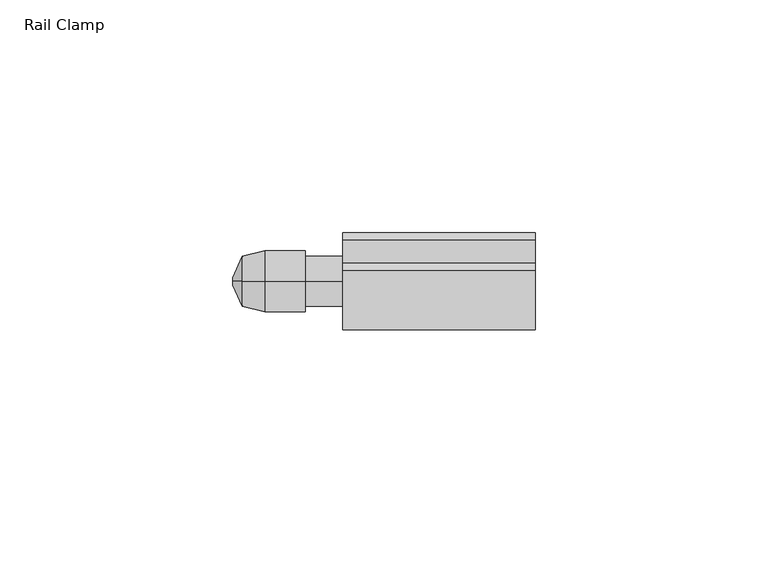
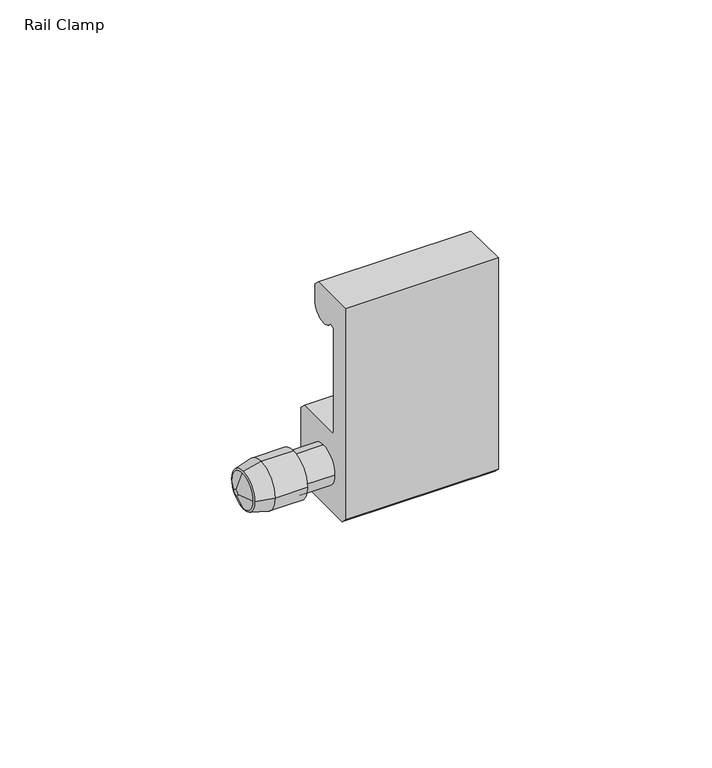
"""IFC4 building model written with IfcOpenShell, lengths in millimetres: furniture geometry, Rail Clamp."""

from ifc_helpers import new_model, si_unit, frame, origin, place, context, project, spatial, polyline, circle_curve, source, transform, mapped, element, save
from ifc_brep_helpers import plane_surface, cylinder_surface, revolved_surface, advanced_brep


def rail_clamp_bc9ce31f(model_context):
    return source(origin(), model_context, "Body", "AdvancedBrep", [
        advanced_brep(
        [(-42.2627645, -46.5617724, 1333.6693035), (-42.2627645, -41.2023724, 1339.0287035), (-42.2627645, -35.8429724, 1333.6693035), (-42.2627645, -41.2023724, 1328.3099035), (-37.4502448, -47.7301724, 1333.6693035), (-37.4502448, -41.2023724, 1327.1415035), (-37.4502448, -34.6745724, 1333.6693035), (-37.4502448, -41.2023724, 1340.1971035)],
        [
            (0, 1, circle_curve(frame((-42.2627645, -41.2023724, 1333.6693035), z_axis=(-1.0, 0.0, 1.912588675763228e-12), x_axis=(0.0, -1.0, 7.182660263663922e-12)), 5.3594)),
            (1, 2, circle_curve(frame((-42.2627645, -41.2023724, 1333.6693035), z_axis=(-1.0, -1.8334834456075796e-12, 0.0), x_axis=(0.0, -7.421599566788889e-12, 1.0)), 5.3594)),
            (2, 3, circle_curve(frame((-42.2627645, -41.2023724, 1333.6693035), z_axis=(-1.0, 0.0, 1.1813047703243468e-12), x_axis=(0.0, 1.0, 8.109455136390989e-12)), 5.3594)),
            (3, 0, circle_curve(frame((-42.2627645, -41.2023724, 1333.6693035), z_axis=(-1.0, -1.0846206001341101e-12, 0.0), x_axis=(0.0, -6.34999299517795e-12, -1.0)), 5.3594)),
            (4, 5, circle_curve(frame((-37.4502448, -41.2023724, 1333.6693035), z_axis=(1.0, 1.0846206001341101e-12, 0.0), x_axis=(0.0, -6.34999299517795e-12, -1.0)), 6.5278)),
            (5, 6, circle_curve(frame((-37.4502448, -41.2023724, 1333.6693035), z_axis=(1.0, 0.0, -1.1813047703243468e-12), x_axis=(0.0, 1.0, 8.109455136390989e-12)), 6.5278)),
            (6, 7, circle_curve(frame((-37.4502448, -41.2023724, 1333.6693035), z_axis=(1.0, 1.8334834456075796e-12, 0.0), x_axis=(0.0, -7.421599566788889e-12, 1.0)), 6.5278)),
            (7, 4, circle_curve(frame((-37.4502448, -41.2023724, 1333.6693035), z_axis=(1.0, 0.0, -1.912588675763228e-12), x_axis=(0.0, -1.0, 7.182660263663922e-12)), 6.5278)),
            (4, 0),
            (3, 5),
            (2, 6),
            (1, 7),
        ],
        [
            plane_surface(frame((-42.2627645, -41.2023724, 1333.6693035), z_axis=(-1.0, 0.0, 0.0), x_axis=(0.0, 0.0, -1.0))),
            plane_surface(frame((-37.4502448, -41.2023724, 1333.6693035), z_axis=(1.0, 0.0, 0.0), x_axis=(0.0, 0.0, -1.0))),
            revolved_surface(polyline([(-42.262764500005815, -41.2023724, 1328.3099035097316), (-37.4502448, -41.2023724, 1327.1415035)]), (-64.3375829, -41.2023724, 1333.6693035), (1.0, 1.0846206001341101e-12, 0.0)),
            revolved_surface(polyline([(-42.2627645, -35.84297240973024, 1333.6693035), (-37.45024479999229, -34.67457239999813, 1333.6693035)]), (-64.3375829, -41.2023724, 1333.6693035), (1.0, 0.0, -1.1813047703243468e-12)),
            revolved_surface(polyline([(-42.2627645, -41.2023724, 1339.0287034902697), (-37.45024479998803, -41.2023724, 1340.1971035000029)]), (-64.3375829, -41.2023724, 1333.6693035), (1.0, 1.8334834456075796e-12, 0.0)),
            revolved_surface(polyline([(-42.26276450001025, -46.56177239026728, 1333.6693035), (-37.4502448, -47.7301724, 1333.6693035)]), (-64.3375829, -41.2023724, 1333.6693035), (1.0, 0.0, -1.912588675763228e-12)),
        ],
        [
            (0, [[1, 2, 3, 4]]),
            (1, [[5, 6, 7, 8]]),
            (2, [[-5, 9, -4, 10]]),
            (3, [[-6, -10, -3, 11]]),
            (4, [[-7, -11, -2, 12]]),
            (5, [[-8, -12, -1, -9]]),
        ],
    ),
        advanced_brep(
        [(-20.6375, -30.8010724, 1323.9749982), (-20.6375, -32.3758712, 1322.4002), (-20.6375, -50.0288731, 1322.4002), (-20.6375, -51.6036724, 1323.9749982), (-20.6375, -51.6036724, 1384.2492), (-20.6375, -38.9100224, 1384.2492), (-20.6375, -37.3352224, 1382.6743995), (-20.6375, -37.3352224, 1377.9246001), (-20.6375, -44.603154, 1375.7396341), (-20.6375, -46.0474222, 1375.3054422), (-20.6375, -46.0474222, 1345.5710319), (-20.6375, -45.4521097, 1344.9757194), (-20.6375, -32.3758724, 1344.9757194), (-20.6375, -30.8010724, 1343.40092), (-20.6375, -46.5617724, 1333.6693035), (-20.6375, -41.2023724, 1328.3099035), (-20.6375, -35.8429724, 1333.6693035), (-20.6375, -41.2023724, 1339.0287035), (20.6375, -30.8010724, 1323.9749982), (20.6375, -30.8010724, 1343.40092), (20.6375, -32.3758724, 1344.9757194), (20.6375, -45.4521097, 1344.9757194), (20.6375, -46.0474222, 1345.5710319), (20.6375, -46.0474222, 1375.3054422), (20.6375, -44.603154, 1375.7396341), (20.6375, -37.3352224, 1377.9246001), (20.6375, -37.3352224, 1382.6743995), (20.6375, -38.9100224, 1384.2492), (20.6375, -51.6036724, 1384.2492), (20.6375, -51.6036724, 1323.9749982), (20.6375, -50.0288731, 1322.4002), (20.6375, -32.3758712, 1322.4002), (-28.6997615, -46.5617724, 1333.6693035), (-28.6997615, -41.2023724, 1328.3099035), (-28.6997615, -35.8429724, 1333.6693035), (-28.6997615, -41.2023724, 1339.0287035), (-28.6997615, -47.7301724, 1333.6693035), (-28.6997615, -41.2023724, 1327.1415035), (-28.6997615, -34.6745724, 1333.6693035), (-28.6997615, -41.2023724, 1340.1971035), (-37.4502448, -47.7301724, 1333.6693035), (-37.4502448, -41.2023724, 1340.1971035), (-37.4502448, -34.6745724, 1333.6693035), (-37.4502448, -41.2023724, 1327.1415035)],
        [
            (0, 1),
            (1, 2),
            (2, 3),
            (3, 4),
            (4, 5),
            (5, 6),
            (6, 7),
            (7, 8, circle_curve(frame((-20.6375, -41.2976225, 1377.9246001), z_axis=(-1.0, 0.0, 0.0), x_axis=(0.0, 1.0, 0.0)), 3.9624001)),
            (8, 9),
            (9, 10),
            (10, 11),
            (11, 12),
            (12, 13),
            (13, 0),
            (14, 15, circle_curve(frame((-20.6375, -41.2023724, 1333.6693035), z_axis=(1.0, 0.0, 0.0), x_axis=(0.0, 1.0, 0.0)), 5.3594)),
            (15, 16, circle_curve(frame((-20.6375, -41.2023724, 1333.6693035), z_axis=(1.0, 0.0, 0.0), x_axis=(0.0, 1.0, 0.0)), 5.3594)),
            (16, 17, circle_curve(frame((-20.6375, -41.2023724, 1333.6693035), z_axis=(1.0, 0.0, 0.0), x_axis=(0.0, 1.0, 0.0)), 5.3594)),
            (17, 14, circle_curve(frame((-20.6375, -41.2023724, 1333.6693035), z_axis=(1.0, 0.0, 0.0), x_axis=(0.0, 1.0, 0.0)), 5.3594)),
            (18, 19),
            (19, 20),
            (20, 21),
            (21, 22),
            (22, 23),
            (23, 24),
            (24, 25, circle_curve(frame((20.6375, -41.2976225, 1377.9246001), z_axis=(1.0, 0.0, 0.0), x_axis=(0.0, 1.0, 0.0)), 3.9624001)),
            (25, 26),
            (26, 27),
            (27, 28),
            (28, 29),
            (29, 30),
            (30, 31),
            (31, 18),
            (0, 18),
            (31, 1),
            (30, 2),
            (29, 3),
            (28, 4),
            (27, 5),
            (26, 6),
            (25, 7),
            (24, 8),
            (23, 9),
            (22, 10),
            (21, 11),
            (20, 12),
            (19, 13),
            (14, 32),
            (32, 33, circle_curve(frame((-28.6997615, -41.2023724, 1333.6693035), z_axis=(1.0, 0.0, 0.0), x_axis=(0.0, 1.0, 0.0)), 5.3594)),
            (33, 15),
            (33, 34, circle_curve(frame((-28.6997615, -41.2023724, 1333.6693035), z_axis=(1.0, 0.0, 0.0), x_axis=(0.0, 1.0, 0.0)), 5.3594)),
            (34, 16),
            (34, 35, circle_curve(frame((-28.6997615, -41.2023724, 1333.6693035), z_axis=(1.0, 0.0, 0.0), x_axis=(0.0, 1.0, 0.0)), 5.3594)),
            (35, 17),
            (35, 32, circle_curve(frame((-28.6997615, -41.2023724, 1333.6693035), z_axis=(1.0, 0.0, 0.0), x_axis=(0.0, 1.0, 0.0)), 5.3594)),
            (36, 37, circle_curve(frame((-28.6997615, -41.2023724, 1333.6693035), z_axis=(1.0, 0.0, 0.0), x_axis=(0.0, 1.0, 0.0)), 6.5278)),
            (37, 38, circle_curve(frame((-28.6997615, -41.2023724, 1333.6693035), z_axis=(1.0, 0.0, 0.0), x_axis=(0.0, 1.0, 0.0)), 6.5278)),
            (38, 39, circle_curve(frame((-28.6997615, -41.2023724, 1333.6693035), z_axis=(1.0, 0.0, 0.0), x_axis=(0.0, 1.0, 0.0)), 6.5278)),
            (39, 36, circle_curve(frame((-28.6997615, -41.2023724, 1333.6693035), z_axis=(1.0, 0.0, 0.0), x_axis=(0.0, 1.0, 0.0)), 6.5278)),
            (40, 41, circle_curve(frame((-37.4502448, -41.2023724, 1333.6693035), z_axis=(-1.0, 0.0, 0.0), x_axis=(0.0, 1.0, 0.0)), 6.5278)),
            (41, 42, circle_curve(frame((-37.4502448, -41.2023724, 1333.6693035), z_axis=(-1.0, 0.0, 0.0), x_axis=(0.0, 1.0, 0.0)), 6.5278)),
            (42, 43, circle_curve(frame((-37.4502448, -41.2023724, 1333.6693035), z_axis=(-1.0, 0.0, 0.0), x_axis=(0.0, 1.0, 0.0)), 6.5278)),
            (43, 40, circle_curve(frame((-37.4502448, -41.2023724, 1333.6693035), z_axis=(-1.0, 0.0, 0.0), x_axis=(0.0, 1.0, 0.0)), 6.5278)),
            (36, 40),
            (43, 37),
            (42, 38),
            (41, 39),
        ],
        [
            plane_surface(frame((-20.6375, -41.2023724, 1384.2492), z_axis=(-1.0, 0.0, 0.0), x_axis=(0.0, 0.0, 1.0))),
            plane_surface(frame((20.6375, -41.2023724, 1384.2492), z_axis=(1.0, 0.0, 0.0), x_axis=(0.0, 0.0, 1.0))),
            plane_surface(frame((-20.6375, -30.8010724, 1323.9749982), z_axis=(0.0, 0.7071066537262837, -0.7071069086467884), x_axis=(1.0, 0.0, 0.0))),
            plane_surface(frame((-20.6375, -32.3758712, 1322.4002), z_axis=(0.0, 0.0, -1.0), x_axis=(1.0, 0.0, 0.0))),
            plane_surface(frame((-20.6375, -50.0288731, 1322.4002), z_axis=(0.0, -0.7071065262660429, -0.7071070361069604), x_axis=(1.0, 0.0, 0.0))),
            plane_surface(frame((-20.6375, -51.6036724, 1323.9749982), z_axis=(0.0, -1.0, 0.0), x_axis=(1.0, 0.0, 0.0))),
            plane_surface(frame((-20.6375, -51.6036724, 1384.2492), z_axis=(0.0, 0.0, 1.0), x_axis=(1.0, 0.0, 0.0))),
            plane_surface(frame((-20.6375, -38.9100224, 1384.2492), z_axis=(0.0, 0.7071069046636035, 0.7071066577094701), x_axis=(1.0, 0.0, 0.0))),
            plane_surface(frame((-20.6375, -37.3352224, 1382.6743995), z_axis=(0.0, 1.0, 0.0), x_axis=(1.0, 0.0, 0.0))),
            cylinder_surface(frame((-20.6375, -41.2976225, 1377.9246001), z_axis=(-1.0, 0.0, 0.0), x_axis=(0.0, 1.0, 0.0)), 3.9624001),
            plane_surface(frame((-20.6375, -44.603154, 1375.7396341), z_axis=(0.0, 0.2879022867565173, -0.9576597899464967), x_axis=(1.0, 0.0, 0.0))),
            plane_surface(frame((-20.6375, -46.0474222, 1375.3054422), z_axis=(0.0, 1.0, 0.0), x_axis=(1.0, 0.0, 0.0))),
            plane_surface(frame((-20.6375, -46.0474222, 1345.5710319), z_axis=(0.0, 0.7071067811865476, 0.7071067811865476), x_axis=(1.0, 0.0, 0.0))),
            plane_surface(frame((-20.6375, -45.4521097, 1344.9757194), z_axis=(0.0, 0.0, 1.0), x_axis=(1.0, 0.0, 0.0))),
            plane_surface(frame((-20.6375, -32.3758724, 1344.9757194), z_axis=(0.0, 0.7071066537262837, 0.7071069086467885), x_axis=(1.0, 0.0, 0.0))),
            plane_surface(frame((-20.6375, -30.8010724, 1343.40092), z_axis=(0.0, 1.0, 0.0), x_axis=(1.0, 0.0, 0.0))),
            cylinder_surface(frame((-28.6997615, -41.2023724, 1333.6693035), z_axis=(1.0, 0.0, 0.0), x_axis=(0.0, 1.0, 0.0)), 5.3594),
            plane_surface(frame((-28.6997615, -34.6745724, 1333.6693035), z_axis=(1.0, 0.0, 0.0), x_axis=(0.0, 0.0, 1.0))),
            plane_surface(frame((-37.4502448, -34.6745724, 1333.6693035), z_axis=(-1.0, 0.0, 0.0), x_axis=(0.0, 0.0, -1.0))),
            cylinder_surface(frame((-37.4502448, -41.2023724, 1333.6693035), z_axis=(1.0, 0.0, 0.0), x_axis=(0.0, 1.0, 0.0)), 6.5278),
        ],
        [
            (0, [[1, 2, 3, 4, 5, 6, 7, 8, 9, 10, 11, 12, 13, 14], [15, 16, 17, 18]]),
            (1, [[19, 20, 21, 22, 23, 24, 25, 26, 27, 28, 29, 30, 31, 32]]),
            (2, [[-1, 33, -32, 34]]),
            (3, [[-2, -34, -31, 35]]),
            (4, [[-3, -35, -30, 36]]),
            (5, [[-4, -36, -29, 37]]),
            (6, [[-5, -37, -28, 38]]),
            (7, [[-6, -38, -27, 39]]),
            (8, [[-7, -39, -26, 40]]),
            (9, [[-8, -40, -25, 41]]),
            (10, [[-9, -41, -24, 42]]),
            (11, [[-10, -42, -23, 43]]),
            (12, [[-11, -43, -22, 44]]),
            (13, [[-12, -44, -21, 45]]),
            (14, [[-13, -45, -20, 46]]),
            (15, [[-14, -46, -19, -33]]),
            (16, [[47, 48, 49, -15]]),
            (16, [[-49, 50, 51, -16]]),
            (16, [[-51, 52, 53, -17]]),
            (16, [[-47, -18, -53, 54]]),
            (17, [[55, 56, 57, 58], [-48, -54, -52, -50]]),
            (18, [[59, 60, 61, 62]]),
            (19, [[-55, 63, -62, 64]]),
            (19, [[-56, -64, -61, 65]]),
            (19, [[-57, -65, -60, 66]]),
            (19, [[-58, -66, -59, -63]]),
        ],
    ),
        advanced_brep(
        [(-44.2561748, -41.9961224, 1333.6693035), (-44.2561748, -41.2023724, 1334.4630535), (-44.2561748, -40.4086224, 1333.6693035), (-44.2561748, -41.2023724, 1332.8755535), (-42.2627645, -46.5617724, 1333.6693035), (-42.2627645, -41.2023724, 1328.3099035), (-42.2627645, -35.8429724, 1333.6693035), (-42.2627645, -41.2023724, 1339.0287035)],
        [
            (0, 1, circle_curve(frame((-44.2561748, -41.2023724, 1333.6693035), z_axis=(-1.0, 0.0, 0.0), x_axis=(0.0, -1.0, 0.0)), 0.79375)),
            (1, 2, circle_curve(frame((-44.2561748, -41.2023724, 1333.6693035), z_axis=(-1.0, 0.0, 0.0), x_axis=(0.0, 0.0, 1.0)), 0.79375)),
            (2, 3, circle_curve(frame((-44.2561748, -41.2023724, 1333.6693035), z_axis=(-1.0, 0.0, 2.851922870755758e-12), x_axis=(0.0, 1.0, 0.0)), 0.79375)),
            (3, 0, circle_curve(frame((-44.2561748, -41.2023724, 1333.6693035), z_axis=(-1.0, -2.851922870755758e-12, 0.0), x_axis=(0.0, 0.0, -1.0)), 0.79375)),
            (4, 5, circle_curve(frame((-42.2627645, -41.2023724, 1333.6693035), z_axis=(1.0, 2.851922870755758e-12, 0.0), x_axis=(0.0, 0.0, -1.0)), 5.3594)),
            (5, 6, circle_curve(frame((-42.2627645, -41.2023724, 1333.6693035), z_axis=(1.0, 0.0, -2.851922870755758e-12), x_axis=(0.0, 1.0, 0.0)), 5.3594)),
            (6, 7, circle_curve(frame((-42.2627645, -41.2023724, 1333.6693035), z_axis=(1.0, 0.0, 0.0), x_axis=(0.0, 0.0, 1.0)), 5.3594)),
            (7, 4, circle_curve(frame((-42.2627645, -41.2023724, 1333.6693035), z_axis=(1.0, 0.0, 0.0), x_axis=(0.0, -1.0, 0.0)), 5.3594)),
            (0, 4),
            (7, 1),
            (6, 2),
            (5, 3),
        ],
        [
            plane_surface(frame((-44.2561748, -41.2023724, 1333.6693035), z_axis=(-1.0, 0.0, 0.0), x_axis=(0.0, -1.0, 0.0))),
            plane_surface(frame((-42.2627645, -41.2023724, 1333.6693035), z_axis=(1.0, 0.0, 0.0), x_axis=(0.0, -1.0, 0.0))),
            revolved_surface(polyline([(-44.2561748, -41.99612238100404, 1333.6693035), (-42.2627645, -46.5617724, 1333.6693035)]), (-44.6027343, -41.2023724, 1333.6693035), (1.0, 0.0, 0.0)),
            revolved_surface(polyline([(-44.2561748, -41.2023724, 1334.4630534810042), (-42.2627645, -41.2023724, 1339.0287035)]), (-44.6027343, -41.2023724, 1333.6693035), (1.0, 0.0, 0.0)),
            revolved_surface(polyline([(-44.2561748, -40.40862241899596, 1333.6693035), (-42.26276449998472, -35.84297239996499, 1333.6693035)]), (-44.6027343, -41.2023724, 1333.6693035), (1.0, 0.0, -2.851922870755758e-12)),
            revolved_surface(polyline([(-44.25617480000226, -41.2023724, 1332.8755535190012), (-42.2627645, -41.2023724, 1328.3099035)]), (-44.6027343, -41.2023724, 1333.6693035), (1.0, 2.851922870755758e-12, 0.0)),
        ],
        [
            (0, [[1, 2, 3, 4]]),
            (1, [[5, 6, 7, 8]]),
            (2, [[-1, 9, -8, 10]]),
            (3, [[-2, -10, -7, 11]]),
            (4, [[-3, -11, -6, 12]]),
            (5, [[-4, -12, -5, -9]]),
        ],
    ),
    ])


if __name__ == "__main__":
    model = new_model("IFC4")
    model_context = context("Model", 3, world=origin())
    ifc_project = project(units=[si_unit("LENGTHUNIT", "METRE", prefix="MILLI")], contexts=[model_context])
    site = spatial("IfcSite", under=ifc_project)
    building = spatial("IfcBuilding", under=site)
    placement = place(None, origin())
    rail_clamp_shape = rail_clamp_bc9ce31f(model_context)
    element("IfcFurniture", 1, ObjectType="Rail Clamp", at=placement, inside=building, context=model_context, shape_type="MappedRepresentation", body=[
        mapped(rail_clamp_shape, transform((0.0, 0.0, 0.0), x_axis=(1.0, 0.0, 0.0), y_axis=(0.0, 1.0, 0.0), z_axis=(0.0, 0.0, 1.0))),
    ])
    save(model, "model.ifc")
